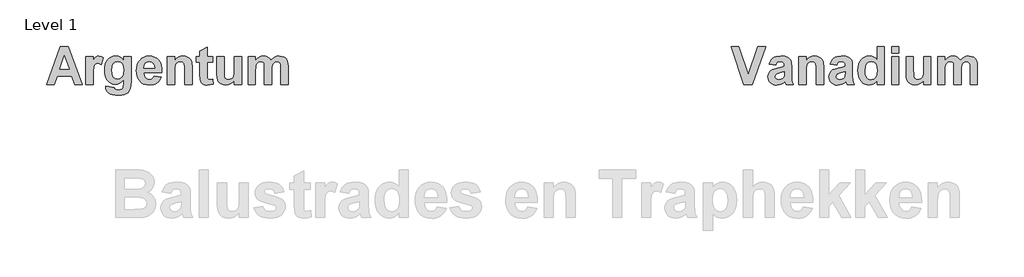
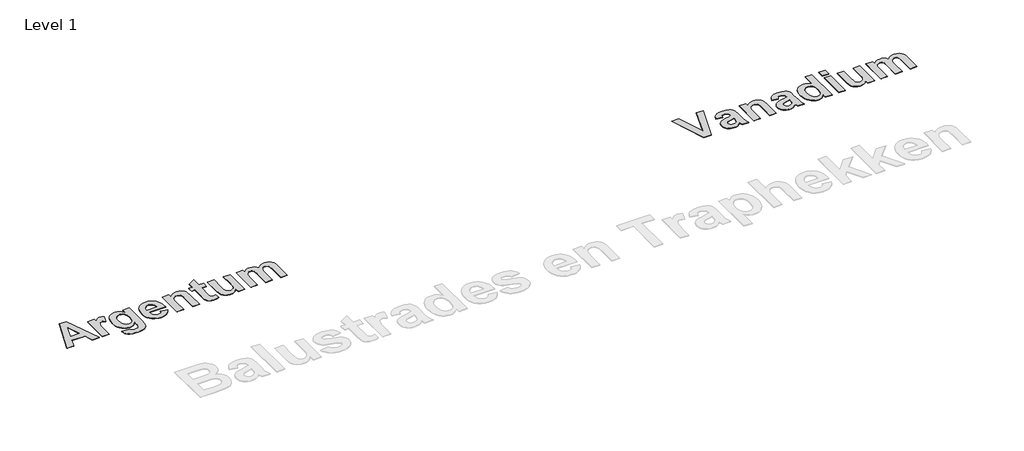
# One storey, part 6 of 13: 2 proxies.
"""IFC4 building model written with IfcOpenShell, lengths in millimetres."""

from ifc_helpers import new_model, si_unit, origin, origin_with_axes, place, context, project, spatial, polyline, outline, extrude, element, save

model = new_model("IFC4")

# Units and contexts
model_context = context("Model", 3, world=origin())
ifc_project = project(units=[si_unit("LENGTHUNIT", "METRE", prefix="MILLI")], contexts=[model_context])

# Site, building, storey
site = spatial("IfcSite", under=ifc_project)
building = spatial("IfcBuilding", under=site)
storey = spatial("IfcBuildingStorey", under=building, Name="Level 1", Elevation=0.0)

# Proxies
placement = place(None, origin())
element("IfcBuildingElementProxy", 1, Name="400mm", ObjectType="400mm", at=placement, inside=storey, context=model_context, shape_type="SweptSolid", body=[
    extrude(outline(polyline([(21401.3392889, -15738.0938306), (21321.2797651, -15738.0938306), (21289.9305587, -15649.2049417), (21138.8392889, -15649.2049417), (21107.8869079, -15738.0938306), (21026.7361143, -15738.0938306), (21172.7678603, -15338.0938306), (21253.9186539, -15338.0938306), (21401.3392889, -15738.0938306)]), holes=[polyline([(21265.5257968, -15579.3636718), (21214.0377016, -15433.3319258), (21163.2440508, -15579.3636718), (21265.5257968, -15579.3636718)])]), origin_with_axes(), (0.0, 0.0, 1.0), 5.0),
    extrude(outline(polyline([(21515.6250031, -15738.0938306), (21439.434527, -15738.0938306), (21439.434527, -15446.0303385), (21515.6250031, -15446.0303385), (21515.6250031, -15486.7049417), (21531.7212333, -15462.7838107), (21546.0813524, -15448.7585131), (21560.5158762, -15441.9504774), (21576.8353206, -15439.6811322), (21600.6200428, -15443.6989893), (21623.5615111, -15455.7525607), (21601.3392889, -15528.272402), (21582.9861143, -15518.9718068), (21566.0218285, -15515.8716083), (21551.3764912, -15518.0417472), (21539.1865111, -15524.5521639), (21529.3898841, -15536.7173425), (21521.9246063, -15555.8517671), (21517.1999039, -15590.8716083), (21515.6250031, -15650.6930369), (21515.6250031, -15738.0938306)])), origin_with_axes(), (0.0, 0.0, 1.0), 5.0),
    extrude(outline(polyline([(21648.9583365, -15757.1414496), (21737.8472254, -15769.8398623), (21741.2450428, -15781.0501798), (21747.2718285, -15788.0938306), (21760.4910746, -15793.4509734), (21779.513892, -15795.2366877), (21804.1666698, -15792.9797433), (21821.7757968, -15786.2089099), (21830.059527, -15778.2972036), (21836.0615111, -15766.6652591), (21839.434527, -15731.1493861), (21839.434527, -15688.5898623), (21819.7854694, -15710.2478484), (21798.5367095, -15725.7178385), (21775.6882472, -15734.9998325), (21751.2400825, -15738.0938306), (21724.5349734, -15734.9874318), (21700.7688524, -15725.6682353), (21679.9417194, -15710.1362413), (21662.0535746, -15688.3914496), (21650.7688524, -15667.5457155), (21642.7083365, -15644.2942274), (21637.872027, -15618.6369853), (21636.2599238, -15590.5739893), (21638.3711589, -15556.0346788), (21644.7048643, -15525.8294456), (21655.2610399, -15499.9582899), (21670.0396857, -15478.4212115), (21687.9619327, -15461.4724268), (21707.9489119, -15449.366152), (21730.0006232, -15442.1023871), (21754.1170666, -15439.6811322), (21778.8690508, -15442.5519159), (21801.3392889, -15451.1642671), (21821.5277809, -15465.5181857), (21839.434527, -15485.6136718), (21839.434527, -15446.0303385), (21915.6250031, -15446.0303385), (21915.6250031, -15705.4549417), (21913.5540706, -15750.1101996), (21907.341273, -15781.8934337), (21897.3958365, -15804.5000806), (21884.1269873, -15821.6255766), (21866.6914714, -15834.460398), (21844.2460349, -15844.195021), (21815.9846262, -15850.3334139), (21781.1011936, -15852.3795449), (21747.6624535, -15850.8542472), (21719.4692492, -15846.2783544), (21696.5215805, -15838.6518663), (21678.8194476, -15827.9747829), (21665.6250031, -15814.9539496), (21656.2004, -15800.2962115), (21650.5456381, -15784.0015687), (21648.6607174, -15766.070021), (21648.9583365, -15757.1414496)]), holes=[polyline([(21712.4504, -15587.6970052), (21716.8526817, -15629.6116877), (21722.3555339, -15645.6955171), (21730.059527, -15658.5303385), (21749.7395865, -15675.3458147), (21773.5615111, -15680.9509734), (21799.0947452, -15675.1970052), (21820.3373047, -15657.9351004), (21828.6923395, -15645.0444754), (21834.6602214, -15629.3884734), (21839.434527, -15589.7803385), (21834.8586341, -15548.646906), (21829.138768, -15532.646782), (21821.1309555, -15519.6910528), (21800.4092293, -15502.5407552), (21774.8511936, -15496.8239893), (21750.0620071, -15502.429148), (21730.059527, -15519.2446242), (21722.3555339, -15531.9306361), (21716.8526817, -15547.5680369), (21712.4504, -15587.6970052)])]), origin_with_axes(), (0.0, 0.0, 1.0), 5.0),
    extrude(outline(polyline([(22156.8948444, -15649.2049417), (22233.0853206, -15661.9033544), (22214.5337333, -15697.4564298), (22202.1329397, -15711.6150359), (22187.6488127, -15723.3616877), (22171.1495567, -15732.584778), (22152.7033762, -15739.1726996), (22109.9702412, -15744.4430369), (22075.4650329, -15741.3366381), (22045.7589317, -15732.0174417), (22020.8519377, -15716.4854476), (22000.7440508, -15694.740656), (21988.5044674, -15673.5414992), (21979.7619079, -15649.725775), (21974.5163722, -15623.2934833), (21972.7678603, -15594.2446242), (21975.0868087, -15559.9936322), (21982.0436539, -15529.6612909), (21993.638396, -15503.2476004), (22009.8710349, -15480.7525607), (22029.6503008, -15462.7838107), (22051.8849238, -15449.9489893), (22076.5749039, -15442.2480964), (22103.7202412, -15439.6811322), (22133.8851718, -15442.3163008), (22160.6894873, -15450.2218068), (22184.1331877, -15463.39765), (22204.216273, -15481.8438306), (22220.2194972, -15505.7339595), (22231.4236143, -15535.241648), (22237.8286242, -15570.366896), (22239.434527, -15611.1097036), (22048.9583365, -15611.1097036), (22053.8442492, -15643.2029575), (22066.9146857, -15667.2604972), (22086.185519, -15682.2902591), (22109.6726222, -15687.3001798), (22125.669646, -15685.0432353), (22138.9384952, -15678.272402), (22149.3799635, -15666.491648), (22156.8948444, -15649.2049417)]), holes=[polyline([(22163.2440508, -15566.6652591), (22158.6061539, -15536.5437314), (22146.2797651, -15514.631529), (22128.373019, -15501.2758742), (22106.9940508, -15496.8239893), (22084.4246063, -15501.5114893), (22066.1210349, -15515.5739893), (22054.1170666, -15537.7714099), (22050.248019, -15566.6652591), (22163.2440508, -15566.6652591)])]), origin_with_axes(), (0.0, 0.0, 1.0), 5.0),
    extrude(outline(polyline([(22556.8948444, -15738.0938306), (22480.7043682, -15738.0938306), (22480.7043682, -15587.9946242), (22479.513892, -15548.7089099), (22475.9424635, -15526.288275), (22469.6676619, -15513.8626798), (22460.3670666, -15504.5620845), (22448.4871063, -15498.7585131), (22434.4742095, -15496.8239893), (22416.0342293, -15499.5893663), (22399.6031778, -15507.8854972), (22386.607146, -15520.757521), (22378.4722254, -15537.2505766), (22374.1939516, -15563.3046441), (22372.7678603, -15604.8597036), (22372.7678603, -15738.0938306), (22296.5773841, -15738.0938306), (22296.5773841, -15446.0303385), (22372.7678603, -15446.0303385), (22372.7678603, -15488.0938306), (22392.044894, -15466.913275), (22413.6656778, -15451.7843068), (22437.6302115, -15442.7069258), (22463.9384952, -15439.6811322), (22487.1031778, -15441.9876798), (22508.184527, -15448.9073226), (22525.7936539, -15459.3983941), (22538.5416698, -15472.4192274), (22547.2842293, -15487.6598028), (22552.8769873, -15504.8101004), (22556.8948444, -15556.7446242), (22556.8948444, -15738.0938306)])), origin_with_axes(), (0.0, 0.0, 1.0), 5.0),
    extrude(outline(polyline([(22772.7678603, -15446.0303385), (22772.7678603, -15503.1731956), (22715.6250031, -15503.1731956), (22715.6250031, -15628.4708147), (22717.3611143, -15672.7664496), (22725.248019, -15683.1831163), (22740.2281778, -15687.3001798), (22775.9424635, -15679.9589099), (22779.1170666, -15734.1255766), (22749.7271857, -15741.8636718), (22716.716273, -15744.4430369), (22696.4285746, -15742.6573226), (22678.2242095, -15737.3001798), (22663.3556579, -15729.115656), (22653.0754, -15718.8477988), (22646.2921658, -15705.5293464), (22641.9146857, -15688.1930369), (22639.434527, -15632.7366877), (22639.434527, -15503.1731956), (22601.3392889, -15503.1731956), (22601.3392889, -15446.0303385), (22639.434527, -15446.0303385), (22639.434527, -15388.8874814), (22715.6250031, -15344.4430369), (22715.6250031, -15446.0303385), (22772.7678603, -15446.0303385)])), origin_with_axes(), (0.0, 0.0, 1.0), 5.0),
    extrude(outline(polyline([(23001.3392889, -15738.0938306), (23001.3392889, -15695.2366877), (22983.7921658, -15715.710398), (22961.5079397, -15731.2981956), (22936.1483166, -15741.1568266), (22909.3750031, -15744.4430369), (22882.9117095, -15741.2188306), (22859.2757968, -15731.5462115), (22840.1289714, -15716.0328187), (22827.1329397, -15695.2862909), (22819.6924635, -15667.4465091), (22817.2123047, -15630.6533544), (22817.2123047, -15446.0303385), (22893.4027809, -15446.0303385), (22893.4027809, -15581.0501798), (22894.4320468, -15631.037779), (22897.5198444, -15656.9926401), (22903.3482174, -15669.4926401), (22912.5992095, -15679.115656), (22925.0372055, -15685.2540488), (22940.4265904, -15687.3001798), (22958.6681579, -15684.5720052), (22974.9007968, -15676.3874814), (22987.7232174, -15664.147898), (22995.7341301, -15649.2545449), (22999.9379992, -15621.3155568), (23001.3392889, -15569.9390687), (23001.3392889, -15446.0303385), (23077.5297651, -15446.0303385), (23077.5297651, -15738.0938306), (23001.3392889, -15738.0938306)])), origin_with_axes(), (0.0, 0.0, 1.0), 5.0),
    extrude(outline(polyline([(23147.3710349, -15446.0303385), (23223.5615111, -15446.0303385), (23223.5615111, -15485.1176401), (23242.3177115, -15465.2391679), (23262.7728206, -15451.0402591), (23284.9268385, -15442.5209139), (23308.7797651, -15439.6811322), (23333.3209357, -15442.4713107), (23354.3650825, -15450.8418464), (23371.9370071, -15464.8671441), (23386.0615111, -15484.6216083), (23405.5679595, -15464.8671441), (23426.5873047, -15450.8418464), (23449.0947452, -15442.4713107), (23473.0654793, -15439.6811322), (23502.0089317, -15442.9425409), (23526.1408762, -15452.7267671), (23545.138892, -15468.835398), (23558.6805587, -15491.070021), (23564.4841301, -15515.4995845), (23566.4186539, -15551.4866877), (23566.4186539, -15738.0938306), (23490.2281778, -15738.0938306), (23490.2281778, -15569.9390687), (23488.2936539, -15533.9519655), (23482.4900825, -15513.490656), (23469.3452412, -15500.990656), (23450.5456381, -15496.8239893), (23435.3298643, -15499.3165488), (23421.0317492, -15506.7942274), (23409.1269873, -15519.0834139), (23401.091273, -15536.0104972), (23396.5153801, -15560.8368861), (23394.9900825, -15596.8239893), (23394.9900825, -15738.0938306), (23318.7996063, -15738.0938306), (23318.7996063, -15576.8835131), (23314.8313524, -15521.4767671), (23309.7842293, -15510.6136718), (23302.5793682, -15502.9251798), (23292.795142, -15498.3492869), (23280.0099238, -15496.8239893), (23263.7152809, -15499.2421441), (23249.1567492, -15506.4966083), (23237.4007968, -15518.3269655), (23229.513892, -15534.4727988), (23225.0496063, -15558.7907552), (23223.5615111, -15595.1374814), (23223.5615111, -15738.0938306), (23147.3710349, -15738.0938306), (23147.3710349, -15446.0303385)])), origin_with_axes(), (0.0, 0.0, 1.0), 5.0),
])
element("IfcBuildingElementProxy", 2, Name="400mm", ObjectType="400mm", at=placement, inside=storey, context=model_context, shape_type="SweptSolid", body=[
    extrude(outline(polyline([(28361.5575428, -15738.0938306), (28226.7361143, -15338.0938306), (28307.0932571, -15338.0938306), (28407.6884952, -15636.506529), (28508.5813524, -15338.0938306), (28588.6408762, -15338.0938306), (28446.6765904, -15738.0938306), (28361.5575428, -15738.0938306)])), origin_with_axes(), (0.0, 0.0, 1.0), 5.0),
    extrude(outline(polyline([(28696.5773841, -15534.9192274), (28626.7361143, -15522.2208147), (28641.8774833, -15485.6136718), (28652.4708613, -15471.4023623), (28665.0793682, -15459.9192274), (28680.341645, -15451.0650607), (28698.8963325, -15444.740656), (28745.8829397, -15439.6811322), (28788.3680587, -15442.7441282), (28818.4027809, -15451.9331163), (28838.6904793, -15465.8220052), (28851.934527, -15482.9847036), (28859.2261936, -15509.6588107), (28861.6567492, -15552.0819258), (28861.6567492, -15642.1612909), (28865.6746063, -15698.9073226), (28880.7043682, -15738.0938306), (28804.513892, -15738.0938306), (28797.3710349, -15713.8874814), (28794.6924635, -15704.2644655), (28774.9752016, -15721.8115885), (28753.9186539, -15734.3735925), (28731.4732174, -15741.9256758), (28707.5892889, -15744.4430369), (28687.013272, -15742.9146391), (28668.7376024, -15738.3294456), (28652.7622799, -15730.6874566), (28639.0873047, -15719.9886718), (28628.1281033, -15706.9585379), (28620.3001024, -15692.3225012), (28615.6033018, -15676.0805617), (28614.0377016, -15658.2327195), (28616.8278801, -15634.8696242), (28625.1984158, -15614.1851004), (28638.6036738, -15597.0968068), (28656.498019, -15584.522402), (28681.076392, -15574.8745845), (28714.5337333, -15566.5660528), (28757.8621063, -15556.7694258), (28785.466273, -15547.6176401), (28785.466273, -15539.5819258), (28783.0977214, -15519.7902591), (28775.9920666, -15506.6454179), (28762.3387928, -15499.2793464), (28740.3273841, -15496.8239893), (28724.528773, -15498.9321242), (28712.6488127, -15505.256529), (28703.6706381, -15516.8884734), (28696.5773841, -15534.9192274)]), holes=[polyline([(28785.466273, -15604.7604972), (28742.5099238, -15615.3259734), (28704.0178603, -15627.3795449), (28693.6755984, -15638.2178385), (28690.2281778, -15651.6851004), (28692.9935547, -15665.1895647), (28701.2896857, -15676.7347036), (28713.8516897, -15684.6588107), (28729.4146857, -15687.3001798), (28748.0902809, -15684.2247829), (28765.8234158, -15674.9985925), (28776.4880984, -15664.631529), (28782.6884952, -15652.1811322), (28785.466273, -15618.5501798), (28785.466273, -15604.7604972)])]), origin_with_axes(), (0.0, 0.0, 1.0), 5.0),
    extrude(outline(polyline([(29198.1646857, -15738.0938306), (29121.9742095, -15738.0938306), (29121.9742095, -15587.9946242), (29120.7837333, -15548.7089099), (29117.2123047, -15526.288275), (29110.9375031, -15513.8626798), (29101.6369079, -15504.5620845), (29089.7569476, -15498.7585131), (29075.7440508, -15496.8239893), (29057.3040706, -15499.5893663), (29040.873019, -15507.8854972), (29027.8769873, -15520.757521), (29019.7420666, -15537.2505766), (29015.4637928, -15563.3046441), (29014.0377016, -15604.8597036), (29014.0377016, -15738.0938306), (28937.8472254, -15738.0938306), (28937.8472254, -15446.0303385), (29014.0377016, -15446.0303385), (29014.0377016, -15488.0938306), (29033.3147353, -15466.913275), (29054.935519, -15451.7843068), (29078.9000528, -15442.7069258), (29105.2083365, -15439.6811322), (29128.373019, -15441.9876798), (29149.4543682, -15448.9073226), (29167.0634952, -15459.3983941), (29179.8115111, -15472.4192274), (29188.5540706, -15487.6598028), (29194.1468285, -15504.8101004), (29198.1646857, -15556.7446242), (29198.1646857, -15738.0938306)])), origin_with_axes(), (0.0, 0.0, 1.0), 5.0),
    extrude(outline(polyline([(29337.8472254, -15534.9192274), (29268.0059555, -15522.2208147), (29283.1473246, -15485.6136718), (29293.7407026, -15471.4023623), (29306.3492095, -15459.9192274), (29321.6114863, -15451.0650607), (29340.1661738, -15444.740656), (29387.1527809, -15439.6811322), (29429.6379, -15442.7441282), (29459.6726222, -15451.9331163), (29479.9603206, -15465.8220052), (29493.2043682, -15482.9847036), (29500.4960349, -15509.6588107), (29502.9265904, -15552.0819258), (29502.9265904, -15642.1612909), (29506.9444476, -15698.9073226), (29521.9742095, -15738.0938306), (29445.7837333, -15738.0938306), (29438.6408762, -15713.8874814), (29435.9623047, -15704.2644655), (29416.2450428, -15721.8115885), (29395.1884952, -15734.3735925), (29372.7430587, -15741.9256758), (29348.8591301, -15744.4430369), (29328.2831133, -15742.9146391), (29310.0074436, -15738.3294456), (29294.0321212, -15730.6874566), (29280.357146, -15719.9886718), (29269.3979446, -15706.9585379), (29261.5699436, -15692.3225012), (29256.873143, -15676.0805617), (29255.3075428, -15658.2327195), (29258.0977214, -15634.8696242), (29266.4682571, -15614.1851004), (29279.8735151, -15597.0968068), (29297.7678603, -15584.522402), (29322.3462333, -15574.8745845), (29355.8035746, -15566.5660528), (29399.1319476, -15556.7694258), (29426.7361143, -15547.6176401), (29426.7361143, -15539.5819258), (29424.3675627, -15519.7902591), (29417.2619079, -15506.6454179), (29403.6086341, -15499.2793464), (29381.5972254, -15496.8239893), (29365.7986143, -15498.9321242), (29353.9186539, -15505.256529), (29344.9404793, -15516.8884734), (29337.8472254, -15534.9192274)]), holes=[polyline([(29426.7361143, -15604.7604972), (29383.7797651, -15615.3259734), (29345.2877016, -15627.3795449), (29334.9454397, -15638.2178385), (29331.498019, -15651.6851004), (29334.263396, -15665.1895647), (29342.559527, -15676.7347036), (29355.1215309, -15684.6588107), (29370.684527, -15687.3001798), (29389.3601222, -15684.2247829), (29407.0932571, -15674.9985925), (29417.7579397, -15664.631529), (29423.9583365, -15652.1811322), (29426.7361143, -15618.5501798), (29426.7361143, -15604.7604972)])]), origin_with_axes(), (0.0, 0.0, 1.0), 5.0),
    extrude(outline(polyline([(29839.434527, -15738.0938306), (29763.2440508, -15738.0938306), (29763.2440508, -15696.0303385), (29744.6552611, -15717.396906), (29723.0158762, -15732.4886718), (29699.7643881, -15741.4544456), (29676.3392889, -15744.4430369), (29653.2397105, -15741.913275), (29631.857642, -15734.3239893), (29612.1930835, -15721.6751798), (29594.2460349, -15703.9668464), (29579.2937779, -15681.726023), (29568.6135944, -15655.4797433), (29562.2054843, -15625.2280072), (29560.0694476, -15590.9708147), (29562.2023841, -15556.1369853), (29568.6011936, -15525.7426401), (29579.2658762, -15499.787779), (29594.1964317, -15478.272402), (29612.388396, -15461.3887214), (29632.8373047, -15449.3289496), (29655.5431579, -15442.0930865), (29680.5059555, -15439.6811322), (29703.6086341, -15442.1798921), (29725.0992095, -15449.6761718), (29744.9776817, -15462.1699714), (29763.2440508, -15479.6612909), (29763.2440508, -15338.0938306), (29839.434527, -15338.0938306), (29839.434527, -15738.0938306)]), holes=[polyline([(29636.2599238, -15586.506529), (29639.434527, -15627.9747829), (29648.9583365, -15656.1493861), (29659.0463821, -15669.7778583), (29670.9573444, -15679.5124814), (29684.6912234, -15685.3532552), (29700.248019, -15687.3001798), (29724.5535746, -15681.459406), (29744.8908762, -15663.9370845), (29752.9203901, -15650.8139447), (29758.6557571, -15634.8076202), (29763.2440508, -15594.1454179), (29758.7921658, -15549.6141679), (29753.2273097, -15532.7893911), (29745.4365111, -15519.5918464), (29725.1116103, -15502.5159536), (29699.7519873, -15496.8239893), (29674.9504, -15502.4539496), (29654.513892, -15519.3438306), (29646.5277809, -15531.9864397), (29640.8234158, -15547.3944258), (29636.2599238, -15586.506529)])]), origin_with_axes(), (0.0, 0.0, 1.0), 5.0),
    extrude(outline(polyline([(29915.6250031, -15407.9351004), (29915.6250031, -15338.0938306), (29991.8154793, -15338.0938306), (29991.8154793, -15407.9351004), (29915.6250031, -15407.9351004)])), origin_with_axes(), (0.0, 0.0, 1.0), 5.0),
    extrude(outline(polyline([(29915.6250031, -15738.0938306), (29915.6250031, -15446.0303385), (29991.8154793, -15446.0303385), (29991.8154793, -15738.0938306), (29915.6250031, -15738.0938306)])), origin_with_axes(), (0.0, 0.0, 1.0), 5.0),
    extrude(outline(polyline([(30252.1329397, -15738.0938306), (30252.1329397, -15695.2366877), (30234.5858166, -15715.710398), (30212.3015904, -15731.2981956), (30186.9419674, -15741.1568266), (30160.1686539, -15744.4430369), (30133.7053603, -15741.2188306), (30110.0694476, -15731.5462115), (30090.9226222, -15716.0328187), (30077.9265904, -15695.2862909), (30070.4861143, -15667.4465091), (30068.0059555, -15630.6533544), (30068.0059555, -15446.0303385), (30144.1964317, -15446.0303385), (30144.1964317, -15581.0501798), (30145.2256976, -15631.037779), (30148.3134952, -15656.9926401), (30154.1418682, -15669.4926401), (30163.3928603, -15679.115656), (30175.8308563, -15685.2540488), (30191.2202412, -15687.3001798), (30209.4618087, -15684.5720052), (30225.6944476, -15676.3874814), (30238.5168682, -15664.147898), (30246.5277809, -15649.2545449), (30250.73165, -15621.3155568), (30252.1329397, -15569.9390687), (30252.1329397, -15446.0303385), (30328.3234158, -15446.0303385), (30328.3234158, -15738.0938306), (30252.1329397, -15738.0938306)])), origin_with_axes(), (0.0, 0.0, 1.0), 5.0),
    extrude(outline(polyline([(30398.1646857, -15446.0303385), (30474.3551619, -15446.0303385), (30474.3551619, -15485.1176401), (30493.1113623, -15465.2391679), (30513.5664714, -15451.0402591), (30535.7204893, -15442.5209139), (30559.5734158, -15439.6811322), (30584.1145865, -15442.4713107), (30605.1587333, -15450.8418464), (30622.7306579, -15464.8671441), (30636.8551619, -15484.6216083), (30656.3616103, -15464.8671441), (30677.3809555, -15450.8418464), (30699.888396, -15442.4713107), (30723.8591301, -15439.6811322), (30752.8025825, -15442.9425409), (30776.934527, -15452.7267671), (30795.9325428, -15468.835398), (30809.4742095, -15491.070021), (30815.2777809, -15515.4995845), (30817.2123047, -15551.4866877), (30817.2123047, -15738.0938306), (30741.0218285, -15738.0938306), (30741.0218285, -15569.9390687), (30739.0873047, -15533.9519655), (30733.2837333, -15513.490656), (30720.138892, -15500.990656), (30701.3392889, -15496.8239893), (30686.1235151, -15499.3165488), (30671.8254, -15506.7942274), (30659.9206381, -15519.0834139), (30651.8849238, -15536.0104972), (30647.3090309, -15560.8368861), (30645.7837333, -15596.8239893), (30645.7837333, -15738.0938306), (30569.5932571, -15738.0938306), (30569.5932571, -15576.8835131), (30565.6250031, -15521.4767671), (30560.5778801, -15510.6136718), (30553.373019, -15502.9251798), (30543.5887928, -15498.3492869), (30530.8035746, -15496.8239893), (30514.5089317, -15499.2421441), (30499.9504, -15506.4966083), (30488.1944476, -15518.3269655), (30480.3075428, -15534.4727988), (30475.8432571, -15558.7907552), (30474.3551619, -15595.1374814), (30474.3551619, -15738.0938306), (30398.1646857, -15738.0938306), (30398.1646857, -15446.0303385)])), origin_with_axes(), (0.0, 0.0, 1.0), 5.0),
])

save(model, "model.ifc")
